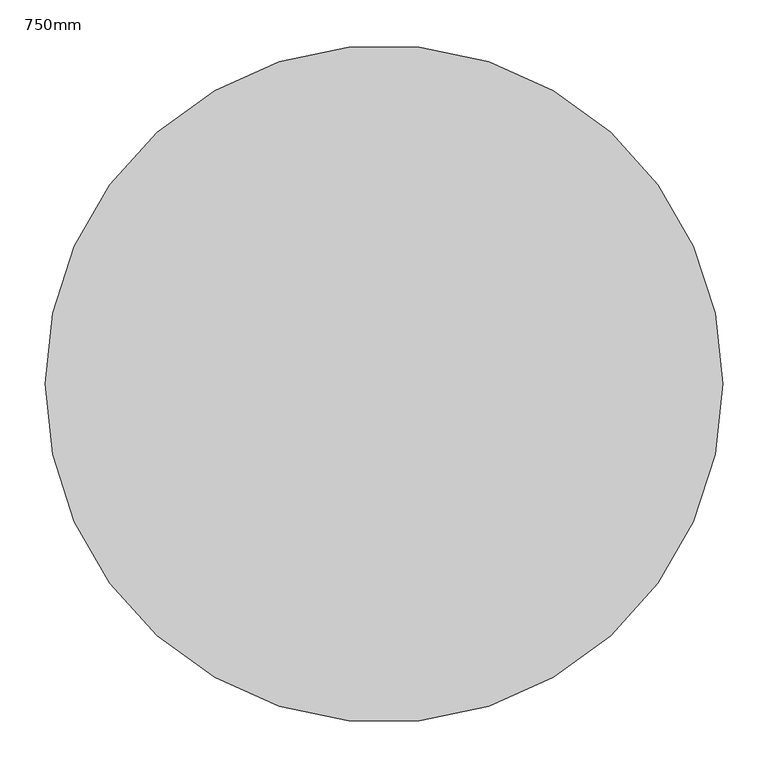
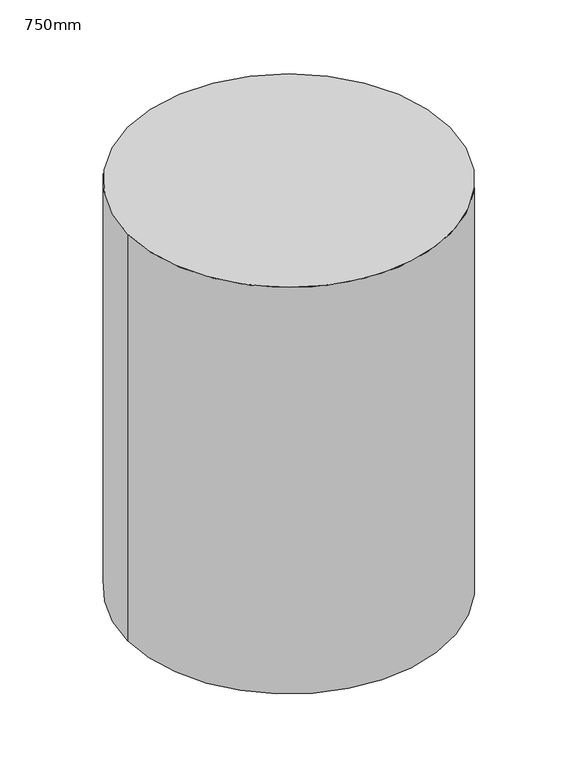
"""IFC4 building model written with IfcOpenShell, lengths in millimetres: column geometry, 750mm."""

from ifc_helpers import new_model, si_unit, point, origin, origin_with_axes, origin_2d, place, context, project, spatial, circle_curve, trimmed, segment, composite_curve, outline, extrude, source, transform, mapped, element, save


def column_750mm_26a71d89(model_context):
    return source(origin(), model_context, "Body", "SweptSolid", [
        extrude(outline(composite_curve([segment(trimmed(circle_curve(origin_2d(), 375.0), [point((-375.0, 0.0))], [point((375.0, 0.0))], False, "CARTESIAN"), True, "CONTINUOUS"), segment(trimmed(circle_curve(origin_2d(), 375.0), [point((375.0, 0.0))], [point((-375.0, 0.0))], False, "CARTESIAN"), True, "CONTINUOUS")], self_intersect=False)), origin_with_axes(), (0.0, 0.0, 1.0), 1000.0),
    ])


if __name__ == "__main__":
    model = new_model("IFC4")
    model_context = context("Model", 3, world=origin())
    ifc_project = project(units=[si_unit("LENGTHUNIT", "METRE", prefix="MILLI")], contexts=[model_context])
    site = spatial("IfcSite", under=ifc_project)
    building = spatial("IfcBuilding", under=site)
    placement = place(None, origin())
    column_750mm_shape = column_750mm_26a71d89(model_context)
    element("IfcColumn", 1, ObjectType="750mm", at=placement, inside=building, context=model_context, shape_type="MappedRepresentation", body=[
        mapped(column_750mm_shape, transform((0.0, 0.0, 0.0), x_axis=(1.0, 0.0, 0.0), y_axis=(0.0, 1.0, 0.0), z_axis=(0.0, 0.0, 1.0))),
    ])
    save(model, "model.ifc")
